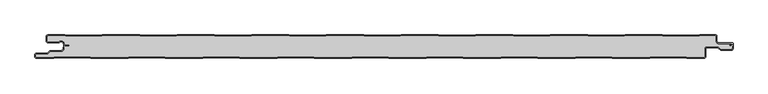
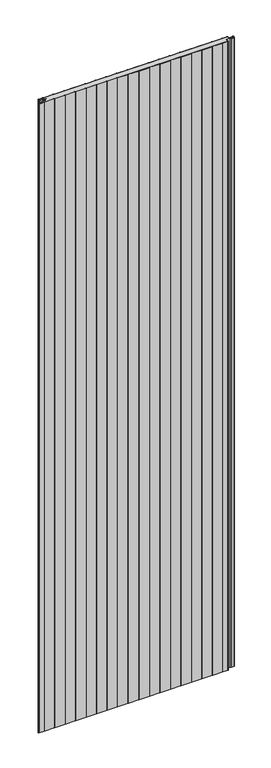
"""IFC4 building model written with IfcOpenShell, lengths in millimetres: plate geometry."""

from ifc_helpers import new_model, si_unit, point, frame_2d, origin, origin_with_axes, place, context, project, spatial, polyline, circle_curve, trimmed, segment, composite_curve, outline, extrude, source, transform, mapped, element, save


def plate_8b2c41b3(model_context):
    return source(origin(), model_context, "Body", "SweptSolid", [
        extrude(outline(composite_curve([segment(polyline([(-517.0, -32.5), (-517.0, -29.5)]), True, "CONTINUOUS"), segment(trimmed(circle_curve(frame_2d((-514.5, -29.5)), 2.5), [point((-517.0, -29.5))], [point((-514.5, -27.0))], False, "CARTESIAN"), True, "CONTINUOUS"), segment(polyline([(-514.5, -27.0), (-498.5, -27.0), (-494.75, -23.25), (-477.0, -23.25)]), True, "CONTINUOUS"), segment(trimmed(circle_curve(frame_2d((-477.0, -21.25)), 2.0), [point((-477.0, -23.25))], [point((-475.0, -21.25))], True, "CARTESIAN"), True, "CONTINUOUS"), segment(polyline([(-475.0, -21.25), (-475.0, -18.25), (-474.2, -18.25), (-474.2, -21.25)]), True, "CONTINUOUS"), segment(trimmed(circle_curve(frame_2d((-477.0, -21.25)), 2.8), [point((-474.2, -21.25))], [point((-477.0, -24.05))], False, "CARTESIAN"), True, "CONTINUOUS"), segment(polyline([(-477.0, -24.05), (-494.4186292, -24.05), (-498.1686292, -27.8), (-514.5, -27.8)]), True, "CONTINUOUS"), segment(trimmed(circle_curve(frame_2d((-514.5, -29.5)), 1.7), [point((-514.5, -27.8))], [point((-516.2, -29.5))], True, "CARTESIAN"), True, "CONTINUOUS"), segment(polyline([(-516.2, -29.5), (-516.2, -32.5)]), True, "CONTINUOUS"), segment(trimmed(circle_curve(frame_2d((-514.5, -32.5)), 1.7), [point((-516.2, -32.5))], [point((-514.5, -34.2))], True, "CARTESIAN"), True, "CONTINUOUS"), segment(polyline([(-514.5, -34.2), (-489.4444842, -34.2), (-488.4469842, -33.6), (-434.4430158, -33.6), (-433.4455158, -34.2), (-378.3344842, -34.2), (-377.3369842, -33.6), (-323.3330158, -33.6), (-322.3355158, -34.2), (-267.2244842, -34.2), (-266.2269842, -33.6), (-212.2230158, -33.6), (-211.2255158, -34.2), (-156.1144842, -34.2), (-155.1169842, -33.6), (-101.1130158, -33.6), (-100.1155158, -34.2), (-45.0044842, -34.2), (-44.0069842, -33.6), (9.9969842, -33.6), (10.9944842, -34.2), (66.1055158, -34.2), (67.1030158, -33.6), (121.1069842, -33.6), (122.1044842, -34.2), (177.2155158, -34.2), (178.2130158, -33.6), (232.2169842, -33.6), (233.2144842, -34.2), (288.3255158, -34.2), (289.3230158, -33.6), (343.3269842, -33.6), (344.3244842, -34.2), (399.4355158, -34.2), (400.4330158, -33.6), (454.4369842, -33.6), (455.4344842, -34.2), (480.5, -34.2)]), True, "CONTINUOUS"), segment(trimmed(circle_curve(frame_2d((480.5, -32.5)), 1.7), [point((480.5, -34.2))], [point((482.2, -32.5))], True, "CARTESIAN"), True, "CONTINUOUS"), segment(polyline([(482.2, -32.5), (482.2, -21.0)]), True, "CONTINUOUS"), segment(trimmed(circle_curve(frame_2d((485.0, -21.0)), 2.8), [point((482.2, -21.0))], [point((485.0, -18.2))], False, "CARTESIAN"), True, "CONTINUOUS"), segment(polyline([(485.0, -18.2), (501.7886271, -18.2), (505.8492873, -21.95), (521.5, -21.95)]), True, "CONTINUOUS"), segment(trimmed(circle_curve(frame_2d((521.5, -20.25)), 1.7), [point((521.5, -21.95))], [point((523.2, -20.25))], True, "CARTESIAN"), True, "CONTINUOUS"), segment(polyline([(523.2, -20.25), (523.2, -16.75), (524.0, -16.75), (524.0, -20.25)]), True, "CONTINUOUS"), segment(trimmed(circle_curve(frame_2d((521.5, -20.25)), 2.5), [point((524.0, -20.25))], [point((521.5, -22.75))], False, "CARTESIAN"), True, "CONTINUOUS"), segment(polyline([(521.5, -22.75), (505.5363961, -22.75), (501.4757359, -19.0), (485.0, -19.0)]), True, "CONTINUOUS"), segment(trimmed(circle_curve(frame_2d((485.0, -21.0)), 2.0), [point((485.0, -19.0))], [point((483.0, -21.0))], True, "CARTESIAN"), True, "CONTINUOUS"), segment(polyline([(483.0, -21.0), (483.0, -32.5)]), True, "CONTINUOUS"), segment(trimmed(circle_curve(frame_2d((480.5, -32.5)), 2.5), [point((483.0, -32.5))], [point((480.5, -35.0))], False, "CARTESIAN"), True, "CONTINUOUS"), segment(polyline([(480.5, -35.0), (455.2124211, -35.0), (454.2149211, -34.4), (400.6550789, -34.4), (399.6575789, -35.0), (344.1024211, -35.0), (343.1049211, -34.4), (289.5450789, -34.4), (288.5475789, -35.0), (232.9924211, -35.0), (231.9949211, -34.4), (178.4350789, -34.4), (177.4375789, -35.0), (121.8824211, -35.0), (120.8849211, -34.4), (67.3250789, -34.4), (66.3275789, -35.0), (10.7724211, -35.0), (9.7749211, -34.4), (-43.7849211, -34.4), (-44.7824211, -35.0), (-100.3375789, -35.0), (-101.3350789, -34.4), (-154.8949211, -34.4), (-155.8924211, -35.0), (-211.4475789, -35.0), (-212.4450789, -34.4), (-266.0049211, -34.4), (-267.0024211, -35.0), (-322.5575789, -35.0), (-323.5550789, -34.4), (-377.1149211, -34.4), (-378.1124211, -35.0), (-433.6675789, -35.0), (-434.6650789, -34.4), (-488.2249211, -34.4), (-489.2224211, -35.0), (-514.5, -35.0)]), True, "CONTINUOUS"), segment(trimmed(circle_curve(frame_2d((-514.5, -32.5)), 2.5), [point((-514.5, -35.0))], [point((-517.0, -32.5))], False, "CARTESIAN"), True, "CONTINUOUS")], self_intersect=False)), origin_with_axes(), (0.0, 0.0, 1.0), 3500.0),
        extrude(outline(composite_curve([segment(trimmed(circle_curve(frame_2d((-497.49499, -9.0180361)), 2.50501), [point((-497.49499, -11.5230461))], [point((-500.0, -9.0180361))], False, "CARTESIAN"), True, "CONTINUOUS"), segment(polyline([(-500.0, -9.0180361), (-500.0, -2.50501)]), True, "CONTINUOUS"), segment(trimmed(circle_curve(frame_2d((-497.49499, -2.50501)), 2.50501), [point((-500.0, -2.50501))], [point((-497.49499, 0.0))], False, "CARTESIAN"), True, "CONTINUOUS"), segment(polyline([(-497.49499, 0.0), (-472.2103007, 0.0), (-471.028188, -0.6012024), (-417.6391467, -0.6012024), (-416.457034, 0.0), (-360.8776353, 0.0), (-359.6955227, -0.6012024), (-306.3064814, -0.6012024), (-305.1243687, 0.0), (-249.54497, 0.0), (-248.3628573, -0.6012024), (-194.973816, -0.6012024), (-193.7917033, 0.0), (-138.2123047, 0.0), (-137.030192, -0.6012024), (-83.6411507, -0.6012024), (-82.459038, 0.0), (-26.8796393, 0.0), (-25.6975267, -0.6012024), (27.6915146, -0.6012024), (28.8736273, 0.0), (84.453026, 0.0), (85.6351387, -0.6012024), (139.02418, -0.6012024), (140.2062927, 0.0), (195.7856913, 0.0), (196.967804, -0.6012024), (250.3568453, -0.6012024), (251.538958, 0.0), (307.1183566, 0.0), (308.3004693, -0.6012024), (361.6895106, -0.6012024), (362.8716233, 0.0), (418.451022, 0.0), (419.6331347, -0.6012024), (473.022176, -0.6012024), (474.2042886, 0.0), (497.49499, 0.0)]), True, "CONTINUOUS"), segment(trimmed(circle_curve(frame_2d((497.49499, -2.50501)), 2.50501), [point((497.49499, 0.0))], [point((500.0, -2.50501))], False, "CARTESIAN"), True, "CONTINUOUS"), segment(polyline([(500.0, -2.50501), (500.0, -10.0200401)]), True, "CONTINUOUS"), segment(trimmed(circle_curve(frame_2d((502.004008, -10.0200401)), 2.004008), [point((500.0, -10.0200401))], [point((502.004008, -12.0240481))], True, "CARTESIAN"), True, "CONTINUOUS"), segment(polyline([(502.004008, -12.0240481), (522.96027, -12.0240481)]), True, "CONTINUOUS"), segment(trimmed(circle_curve(frame_2d((522.96027, -13.0490481)), 1.025), [point((522.96027, -12.0240481))], [point((523.47277, -13.9367241))], False, "CARTESIAN"), True, "CONTINUOUS"), segment(polyline([(523.47277, -13.9367241), (519.5390782, -16.2078422), (519.1390782, -15.5150218), (522.183956, -13.7570608)]), True, "CONTINUOUS"), segment(trimmed(circle_curve(frame_2d((521.933956, -13.3240481)), 0.5), [point((522.183956, -13.7570608))], [point((521.933956, -12.8240481))], True, "CARTESIAN"), True, "CONTINUOUS"), segment(polyline([(521.933956, -12.8240481), (502.004008, -12.8240481)]), True, "CONTINUOUS"), segment(trimmed(circle_curve(frame_2d((502.004008, -10.0200401)), 2.804008), [point((502.004008, -12.8240481))], [point((499.2, -10.0200401))], False, "CARTESIAN"), True, "CONTINUOUS"), segment(polyline([(499.2, -10.0200401), (499.2, -2.50501)]), True, "CONTINUOUS"), segment(trimmed(circle_curve(frame_2d((497.49499, -2.50501)), 1.70501), [point((499.2, -2.50501))], [point((497.49499, -0.8))], True, "CARTESIAN"), True, "CONTINUOUS"), segment(polyline([(497.49499, -0.8), (474.396035, -0.8), (473.2139223, -1.4012024), (419.4413883, -1.4012024), (418.2592756, -0.8), (363.0633697, -0.8), (361.881257, -1.4012024), (308.108723, -1.4012024), (306.9266103, -0.8), (251.7307044, -0.8), (250.5485917, -1.4012024), (196.7760576, -1.4012024), (195.5939449, -0.8), (140.398039, -0.8), (139.2159263, -1.4012024), (85.4433923, -1.4012024), (84.2612796, -0.8), (29.0653737, -0.8), (27.883261, -1.4012024), (-25.889273, -1.4012024), (-27.0713857, -0.8), (-82.2672916, -0.8), (-83.4494043, -1.4012024), (-137.2219384, -1.4012024), (-138.4040511, -0.8), (-193.599957, -0.8), (-194.7820696, -1.4012024), (-248.5546037, -1.4012024), (-249.7367164, -0.8), (-304.9326223, -0.8), (-306.114735, -1.4012024), (-359.887269, -1.4012024), (-361.0693817, -0.8), (-416.2652876, -0.8), (-417.4474003, -1.4012024), (-471.2199344, -1.4012024), (-472.4020471, -0.8), (-497.49499, -0.8)]), True, "CONTINUOUS"), segment(trimmed(circle_curve(frame_2d((-497.49499, -2.50501)), 1.70501), [point((-497.49499, -0.8))], [point((-499.2, -2.50501))], True, "CARTESIAN"), True, "CONTINUOUS"), segment(polyline([(-499.2, -2.50501), (-499.2, -9.0180361)]), True, "CONTINUOUS"), segment(trimmed(circle_curve(frame_2d((-497.49499, -9.0180361)), 1.70501), [point((-499.2, -9.0180361))], [point((-497.49499, -10.7230461))], True, "CARTESIAN"), True, "CONTINUOUS"), segment(polyline([(-497.49499, -10.7230461), (-481.8173283, -10.7230461)]), True, "CONTINUOUS"), segment(trimmed(circle_curve(frame_2d((-481.8173283, -9.0180361)), 1.70501), [point((-481.8173283, -10.7230461))], [point((-480.6895701, -10.2967936))], True, "CARTESIAN"), True, "CONTINUOUS"), segment(trimmed(circle_curve(frame_2d((-477.8407481, -13.5270541)), 4.307014), [point((-480.6895701, -10.2967936))], [point((-473.7934788, -12.0539686))], False, "CARTESIAN"), True, "CONTINUOUS"), segment(polyline([(-473.7934788, -12.0539686), (-473.0450711, -14.1102019)]), True, "CONTINUOUS"), segment(trimmed(circle_curve(frame_2d((-471.4428858, -13.5270541)), 1.70501), [point((-473.0450711, -14.1102019))], [point((-471.4428858, -15.2320641))], True, "CARTESIAN"), True, "CONTINUOUS"), segment(polyline([(-471.4428858, -15.2320641), (-466.4328657, -15.2320641), (-466.4328657, -16.0320641), (-471.4428858, -16.0320641)]), True, "CONTINUOUS"), segment(trimmed(circle_curve(frame_2d((-471.4428858, -13.5270541)), 2.50501), [point((-471.4428858, -16.0320641))], [point((-473.7968252, -14.383818))], False, "CARTESIAN"), True, "CONTINUOUS"), segment(polyline([(-473.7968252, -14.383818), (-474.5452329, -12.3275847)]), True, "CONTINUOUS"), segment(trimmed(circle_curve(frame_2d((-477.8407481, -13.5270541)), 3.507014), [point((-474.5452329, -12.3275847))], [point((-480.1604199, -10.8967936))], True, "CARTESIAN"), True, "CONTINUOUS"), segment(trimmed(circle_curve(frame_2d((-481.8173283, -9.0180361)), 2.50501), [point((-480.1604199, -10.8967936))], [point((-481.8173283, -11.5230461))], False, "CARTESIAN"), True, "CONTINUOUS"), segment(polyline([(-481.8173283, -11.5230461), (-497.49499, -11.5230461)]), True, "CONTINUOUS")], self_intersect=False)), origin_with_axes(), (0.0, 0.0, 1.0), 3500.0),
        extrude(outline(composite_curve([segment(trimmed(circle_curve(frame_2d((521.5, -20.25)), 1.7), [point((523.2, -20.25))], [point((521.5, -21.95))], False, "CARTESIAN"), True, "CONTINUOUS"), segment(polyline([(521.5, -21.95), (505.8492873, -21.95), (501.7886271, -18.2), (485.0, -18.2)]), True, "CONTINUOUS"), segment(trimmed(circle_curve(frame_2d((485.0, -21.0)), 2.8), [point((485.0, -18.2))], [point((482.2, -21.0))], True, "CARTESIAN"), True, "CONTINUOUS"), segment(polyline([(482.2, -21.0), (482.2, -32.5)]), True, "CONTINUOUS"), segment(trimmed(circle_curve(frame_2d((480.5, -32.5)), 1.7), [point((482.2, -32.5))], [point((480.5, -34.2))], False, "CARTESIAN"), True, "CONTINUOUS"), segment(polyline([(480.5, -34.2), (455.4344842, -34.2), (454.4369842, -33.6), (400.4330158, -33.6), (399.4355158, -34.2), (344.3244842, -34.2), (343.3269842, -33.6), (289.3230158, -33.6), (288.3255158, -34.2), (233.2144842, -34.2), (232.2169842, -33.6), (178.2130158, -33.6), (177.2155158, -34.2), (122.1044842, -34.2), (121.1069842, -33.6), (67.1030158, -33.6), (66.1055158, -34.2), (10.9944842, -34.2), (9.9969842, -33.6), (-44.0069842, -33.6), (-45.0044842, -34.2), (-100.1155158, -34.2), (-101.1130158, -33.6), (-155.1169842, -33.6), (-156.1144842, -34.2), (-211.2255158, -34.2), (-212.2230158, -33.6), (-266.2269842, -33.6), (-267.2244842, -34.2), (-322.3355158, -34.2), (-323.3330158, -33.6), (-377.3369842, -33.6), (-378.3344842, -34.2), (-433.4455158, -34.2), (-434.4430158, -33.6), (-488.4469842, -33.6), (-489.4444842, -34.2), (-514.5, -34.2)]), True, "CONTINUOUS"), segment(trimmed(circle_curve(frame_2d((-514.5, -32.5)), 1.7), [point((-514.5, -34.2))], [point((-516.2, -32.5))], False, "CARTESIAN"), True, "CONTINUOUS"), segment(polyline([(-516.2, -32.5), (-516.2, -29.5)]), True, "CONTINUOUS"), segment(trimmed(circle_curve(frame_2d((-514.5, -29.5)), 1.7), [point((-516.2, -29.5))], [point((-514.5, -27.8))], False, "CARTESIAN"), True, "CONTINUOUS"), segment(polyline([(-514.5, -27.8), (-498.1686292, -27.8), (-494.4186292, -24.05), (-477.0, -24.05)]), True, "CONTINUOUS"), segment(trimmed(circle_curve(frame_2d((-477.0, -21.25)), 2.8), [point((-477.0, -24.05))], [point((-474.2, -21.25))], True, "CARTESIAN"), True, "CONTINUOUS"), segment(polyline([(-474.2, -21.25), (-474.2, -11.2258973)]), True, "CONTINUOUS"), segment(trimmed(circle_curve(frame_2d((-477.8407481, -13.5270541)), 4.307014), [point((-474.2, -11.2258973))], [point((-480.6895701, -10.2967936))], True, "CARTESIAN"), True, "CONTINUOUS"), segment(trimmed(circle_curve(frame_2d((-481.8173283, -9.0180361)), 1.70501), [point((-480.6895701, -10.2967936))], [point((-481.8173283, -10.7230461))], False, "CARTESIAN"), True, "CONTINUOUS"), segment(polyline([(-481.8173283, -10.7230461), (-497.49499, -10.7230461)]), True, "CONTINUOUS"), segment(trimmed(circle_curve(frame_2d((-497.49499, -9.0180361)), 1.70501), [point((-497.49499, -10.7230461))], [point((-499.2, -9.0180361))], False, "CARTESIAN"), True, "CONTINUOUS"), segment(polyline([(-499.2, -9.0180361), (-499.2, -2.50501)]), True, "CONTINUOUS"), segment(trimmed(circle_curve(frame_2d((-497.49499, -2.50501)), 1.70501), [point((-499.2, -2.50501))], [point((-497.49499, -0.8))], False, "CARTESIAN"), True, "CONTINUOUS"), segment(polyline([(-497.49499, -0.8), (-472.4020471, -0.8), (-471.2199344, -1.4012024), (-417.4474003, -1.4012024), (-416.2652876, -0.8), (-361.0693817, -0.8), (-359.887269, -1.4012024), (-306.114735, -1.4012024), (-304.9326223, -0.8), (-249.7367164, -0.8), (-248.5546037, -1.4012024), (-194.7820696, -1.4012024), (-193.599957, -0.8), (-138.4040511, -0.8), (-137.2219384, -1.4012024), (-83.4494043, -1.4012024), (-82.2672916, -0.8), (-27.0713857, -0.8), (-25.889273, -1.4012024), (27.883261, -1.4012024), (29.0653737, -0.8), (84.2612796, -0.8), (85.4433923, -1.4012024), (139.2159263, -1.4012024), (140.398039, -0.8), (195.5939449, -0.8), (196.7760576, -1.4012024), (250.5485917, -1.4012024), (251.7307044, -0.8), (306.9266103, -0.8), (308.108723, -1.4012024), (361.881257, -1.4012024), (363.0633697, -0.8), (418.2592756, -0.8), (419.4413883, -1.4012024), (473.2139223, -1.4012024), (474.396035, -0.8), (497.49499, -0.8)]), True, "CONTINUOUS"), segment(trimmed(circle_curve(frame_2d((497.49499, -2.50501)), 1.70501), [point((497.49499, -0.8))], [point((499.2, -2.50501))], False, "CARTESIAN"), True, "CONTINUOUS"), segment(polyline([(499.2, -2.50501), (499.2, -10.0200401)]), True, "CONTINUOUS"), segment(trimmed(circle_curve(frame_2d((502.004008, -10.0200401)), 2.804008), [point((499.2, -10.0200401))], [point((502.004008, -12.8240481))], True, "CARTESIAN"), True, "CONTINUOUS"), segment(polyline([(502.004008, -12.8240481), (524.0, -12.8240481), (524.0, -16.75), (523.2, -16.75), (523.2, -20.25)]), True, "CONTINUOUS")], self_intersect=False)), origin_with_axes(), (0.0, 0.0, 1.0), 3500.0),
    ])


if __name__ == "__main__":
    model = new_model("IFC4")
    model_context = context("Model", 3, world=origin())
    ifc_project = project(units=[si_unit("LENGTHUNIT", "METRE", prefix="MILLI")], contexts=[model_context])
    site = spatial("IfcSite", under=ifc_project)
    building = spatial("IfcBuilding", under=site)
    placement = place(None, origin())
    plate_shape = plate_8b2c41b3(model_context)
    element("IfcPlate", 1, at=placement, inside=building, context=model_context, shape_type="MappedRepresentation", body=[
        mapped(plate_shape, transform((0.0, 0.0, 0.0), x_axis=(1.0, 0.0, 0.0), y_axis=(0.0, 1.0, 0.0), z_axis=(0.0, 0.0, 1.0))),
    ])
    save(model, "model.ifc")
